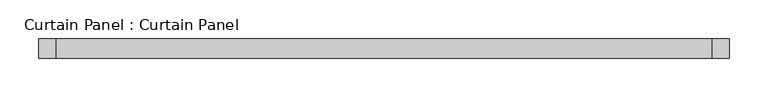
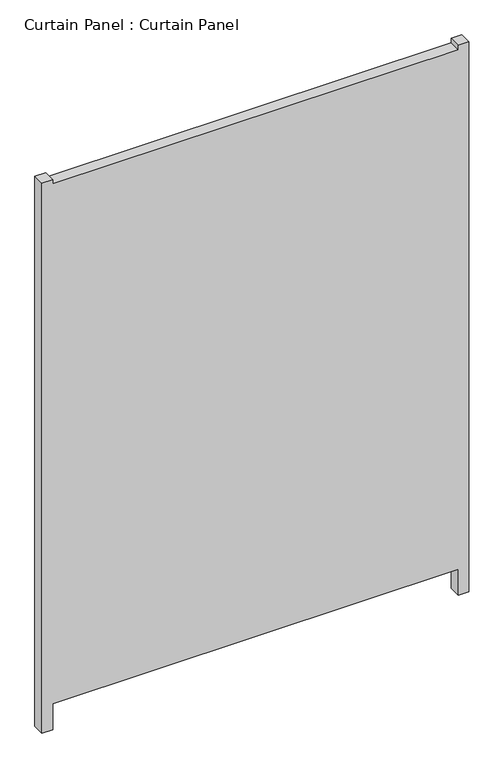
"""IFC4 building model written with IfcOpenShell, lengths in millimetres: plate geometry, Curtain Panel : Curtain Panel."""

from ifc_helpers import new_model, si_unit, frame, origin, place, context, project, spatial, polyline, outline, extrude, source, transform, mapped, element, save


def curtain_panel_curtain_panel_39e61195(model_context):
    return source(origin(), model_context, "Body", "SweptSolid", [
        extrude(outline(polyline([(-680.0975461, -38016.6559769), (-622.8354492, -38016.6559769), (-622.8354492, -37166.0944373), (-680.0975461, -37166.0944373), (-680.0975461, -37143.8695566), (539.1024539, -37143.8695566), (539.1024539, -37166.0944373), (529.5774539, -37166.0944373), (529.5774539, -38016.6559769), (539.1024539, -38016.6559769), (539.1024539, -38039.2193302), (-680.0975461, -38039.2193302), (-680.0975461, -38016.6559769)])), frame((0.0, -1996.9602036, 0.0), z_axis=(0.0, 1.0, 0.0), x_axis=(0.0, 0.0, 1.0)), (0.0, 0.0, 1.0), 25.4),
    ])


if __name__ == "__main__":
    model = new_model("IFC4")
    model_context = context("Model", 3, world=origin())
    ifc_project = project(units=[si_unit("LENGTHUNIT", "METRE", prefix="MILLI")], contexts=[model_context])
    site = spatial("IfcSite", under=ifc_project)
    building = spatial("IfcBuilding", under=site)
    placement = place(None, origin())
    curtain_panel_curtain_panel_shape = curtain_panel_curtain_panel_39e61195(model_context)
    element("IfcPlate", 1, ObjectType="Curtain Panel : Curtain Panel", at=placement, inside=building, context=model_context, shape_type="MappedRepresentation", body=[
        mapped(curtain_panel_curtain_panel_shape, transform((0.0, 0.0, 0.0), x_axis=(1.0, 0.0, 0.0), y_axis=(0.0, 1.0, 0.0), z_axis=(0.0, 0.0, 1.0))),
    ])
    save(model, "model.ifc")
